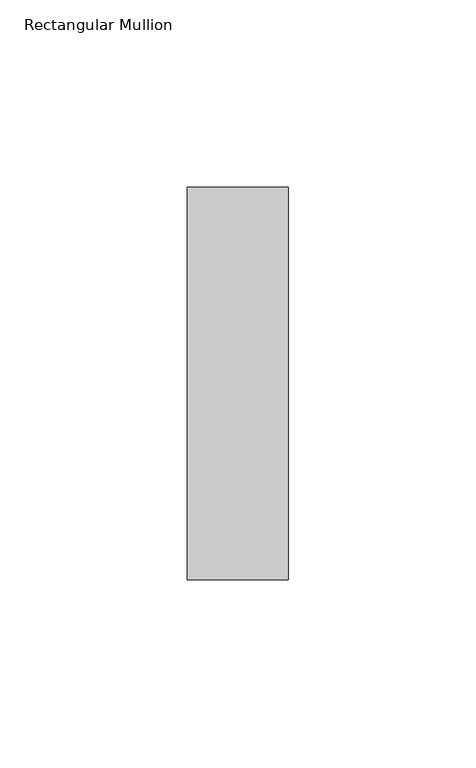
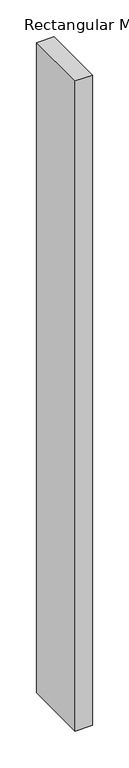
"""IFC4 building model written with IfcOpenShell, lengths in millimetres: member geometry, Rectangular Mullion."""

from ifc_helpers import new_model, si_unit, frame, origin, place, context, project, spatial, polyline, outline, extrude, source, transform, mapped, element, save


def rectangular_mullion_0667736a(model_context):
    return source(origin(), model_context, "Body", "SweptSolid", [
        extrude(outline(polyline([(-27.0, 52.3975), (0.0, 52.3975), (0.0, -52.3975), (-27.0, -52.3975), (-27.0, 52.3975)])), frame((0.0, 0.0, -1078.5), z_axis=(0.0, 0.0, 1.0), x_axis=(1.0, 0.0, 0.0)), (0.0, 0.0, 1.0), 1078.5),
    ])


if __name__ == "__main__":
    model = new_model("IFC4")
    model_context = context("Model", 3, world=origin())
    ifc_project = project(units=[si_unit("LENGTHUNIT", "METRE", prefix="MILLI")], contexts=[model_context])
    site = spatial("IfcSite", under=ifc_project)
    building = spatial("IfcBuilding", under=site)
    placement = place(None, origin())
    rectangular_mullion_shape = rectangular_mullion_0667736a(model_context)
    element("IfcMember", 1, ObjectType="Rectangular Mullion", at=placement, inside=building, context=model_context, shape_type="MappedRepresentation", body=[
        mapped(rectangular_mullion_shape, transform((0.0, 0.0, 0.0), x_axis=(1.0, 0.0, 0.0), y_axis=(0.0, 1.0, 0.0), z_axis=(0.0, 0.0, 1.0))),
    ])
    save(model, "model.ifc")
